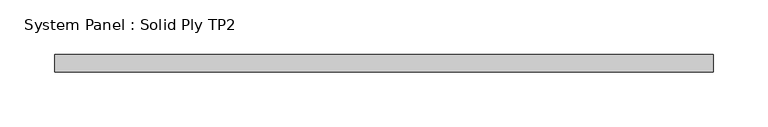
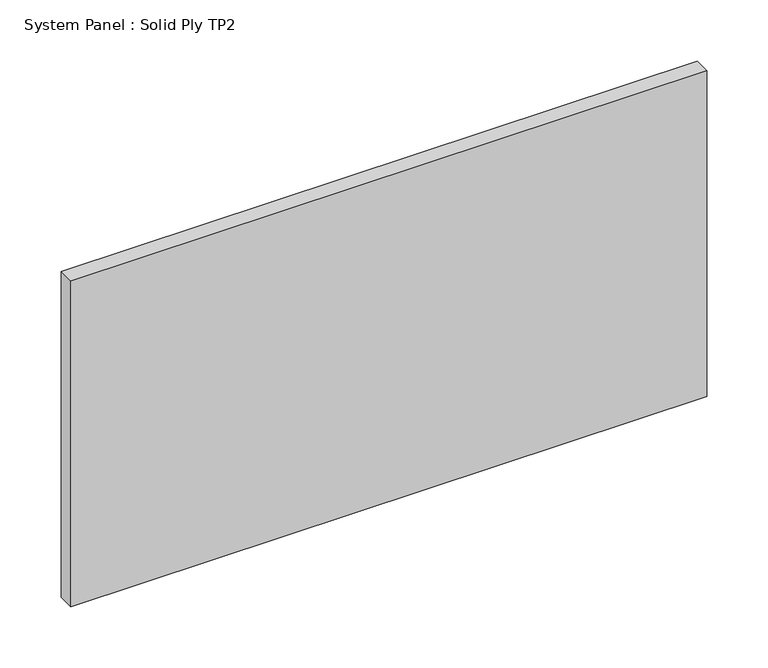
"""IFC4 building model written with IfcOpenShell, lengths in millimetres: plate geometry, System Panel : Solid Ply TP2."""

from ifc_helpers import new_model, si_unit, origin, origin_with_axes, place, context, project, spatial, polyline, outline, extrude, source, transform, mapped, element, save


def system_panel_solid_ply_tp2_9dd55b88(model_context):
    return source(origin(), model_context, "Body", "SweptSolid", [
        extrude(outline(polyline([(300.0, -23.0), (-300.0, -23.0), (-300.0, -7.0), (300.0, -7.0), (300.0, -23.0)])), origin_with_axes(), (0.0, 0.0, 1.0), 325.0),
    ])


if __name__ == "__main__":
    model = new_model("IFC4")
    model_context = context("Model", 3, world=origin())
    ifc_project = project(units=[si_unit("LENGTHUNIT", "METRE", prefix="MILLI")], contexts=[model_context])
    site = spatial("IfcSite", under=ifc_project)
    building = spatial("IfcBuilding", under=site)
    placement = place(None, origin())
    system_panel_solid_ply_tp2_shape = system_panel_solid_ply_tp2_9dd55b88(model_context)
    element("IfcPlate", 1, ObjectType="System Panel : Solid Ply TP2", at=placement, inside=building, context=model_context, shape_type="MappedRepresentation", body=[
        mapped(system_panel_solid_ply_tp2_shape, transform((0.0, 0.0, 0.0), x_axis=(1.0, 0.0, 0.0), y_axis=(0.0, 1.0, 0.0), z_axis=(0.0, 0.0, 1.0))),
    ])
    save(model, "model.ifc")
